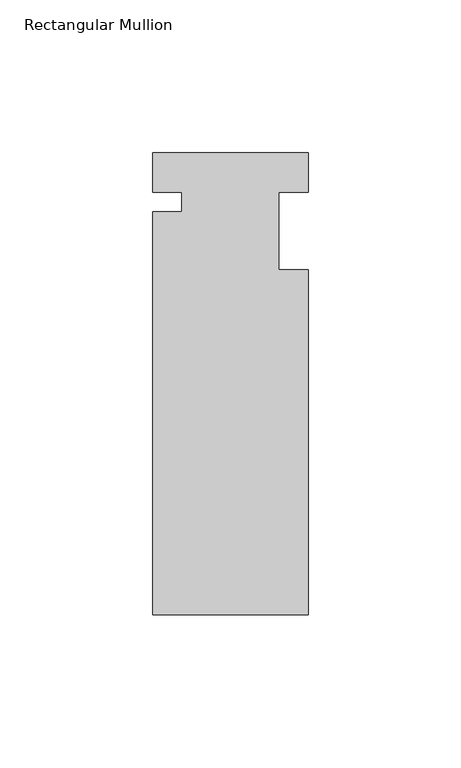
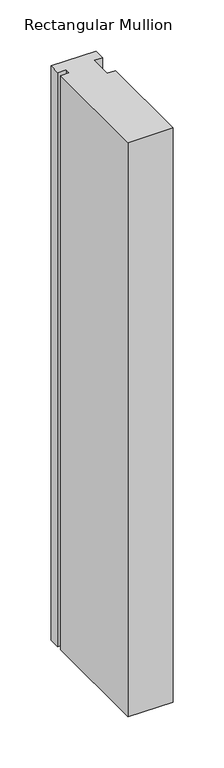
"""IFC4 building model written with IfcOpenShell, lengths in millimetres: member geometry, Rectangular Mullion."""

from ifc_helpers import new_model, si_unit, frame, origin, place, context, project, spatial, polyline, outline, extrude, source, transform, mapped, element, save


def rectangular_mullion_1bb6e610(model_context):
    return source(origin(), model_context, "Body", "SweptSolid", [
        extrude(outline(polyline([(-25.4, 12.88415), (25.4, 12.88415), (25.4, 0.0), (15.875, 0.0), (15.875, -25.4), (25.4, -25.4), (25.4, -138.29665), (-25.4, -138.29665), (-25.4, -6.35), (-15.875, -6.35), (-15.875, 0.0), (-25.4, 0.0), (-25.4, 12.88415)])), frame((0.0, 0.0, -685.8), z_axis=(0.0, 0.0, 1.0), x_axis=(1.0, 0.0, 0.0)), (0.0, 0.0, 1.0), 685.8),
    ])


if __name__ == "__main__":
    model = new_model("IFC4")
    model_context = context("Model", 3, world=origin())
    ifc_project = project(units=[si_unit("LENGTHUNIT", "METRE", prefix="MILLI")], contexts=[model_context])
    site = spatial("IfcSite", under=ifc_project)
    building = spatial("IfcBuilding", under=site)
    placement = place(None, origin())
    rectangular_mullion_shape = rectangular_mullion_1bb6e610(model_context)
    element("IfcMember", 1, ObjectType="Rectangular Mullion", at=placement, inside=building, context=model_context, shape_type="MappedRepresentation", body=[
        mapped(rectangular_mullion_shape, transform((0.0, 0.0, 0.0), x_axis=(1.0, 0.0, 0.0), y_axis=(0.0, 1.0, 0.0), z_axis=(0.0, 0.0, 1.0))),
    ])
    save(model, "model.ifc")
